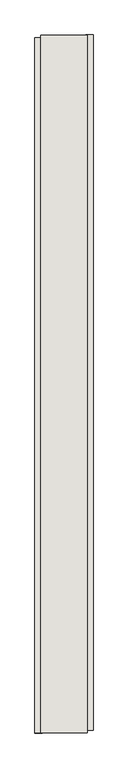
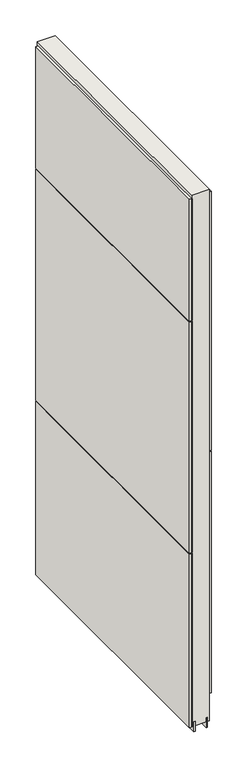
"""IFC4 building model written with IfcOpenShell, lengths in millimetres: wall geometry."""

from ifc_helpers import new_model, si_unit, frame, origin, place, context, project, spatial, polyline, outline, extrude, source, transform, mapped, element, save


def wall_f95e6eb7(model_context):
    return source(origin(), model_context, "Body", "SweptSolid", [
        extrude(outline(polyline([(84659.7205202, -48433.5447634), (84659.7205202, -48431.0047634), (84662.2605202, -48431.0047634), (84662.2605202, -48433.5447634), (84659.7205202, -48433.5447634)])), frame((0.0, 0.0, 4419.6), z_axis=(0.0, 0.0, 1.0), x_axis=(1.0, 0.0, 0.0)), (0.0, 0.0, 1.0), 2.54),
        extrude(outline(polyline([(84711.7905202, -48430.5385464), (84711.7905202, -49645.7385544), (84699.0905202, -49645.7385544), (84699.0905202, -48430.5385464), (84711.7905202, -48430.5385464)])), frame((0.0, 0.0, 4573.9999706), z_axis=(0.0, 0.0, 1.0), x_axis=(1.0, 0.0, 0.0)), (0.0, 0.0, 1.0), 1164.400008),
        extrude(outline(polyline([(84711.7905202, -48430.5385464), (84711.7905202, -49645.7385544), (84699.0905202, -49645.7385544), (84699.0905202, -48430.5385464), (84711.7905202, -48430.5385464)])), frame((0.0, 0.0, 5742.4000722), z_axis=(0.0, 0.0, 1.0), x_axis=(1.0, 0.0, 0.0)), (0.0, 0.0, 1.0), 1247.649905),
        extrude(outline(polyline([(84610.1905202, -49650.6684912), (84610.1905202, -48435.4684832), (84622.8905202, -48435.4684832), (84622.8905202, -49650.6684912), (84610.1905202, -49650.6684912)])), frame((0.0, 0.0, 6402.8000722), z_axis=(0.0, 0.0, 1.0), x_axis=(1.0, 0.0, 0.0)), (0.0, 0.0, 1.0), 587.2498034),
        extrude(outline(polyline([(84610.1905202, -49650.6684912), (84610.1905202, -48435.4684832), (84622.8905202, -48435.4684832), (84622.8905202, -49650.6684912), (84610.1905202, -49650.6684912)])), frame((0.0, 0.0, 5285.2000722), z_axis=(0.0, 0.0, 1.0), x_axis=(1.0, 0.0, 0.0)), (0.0, 0.0, 1.0), 1113.5999572),
        extrude(outline(polyline([(84610.1905202, -49650.6684912), (84610.1905202, -48435.4684832), (84622.8905202, -48435.4684832), (84622.8905202, -49650.6684912), (84610.1905202, -49650.6684912)])), frame((0.0, 0.0, 4445.0), z_axis=(0.0, 0.0, 1.0), x_axis=(1.0, 0.0, 0.0)), (0.0, 0.0, 1.0), 836.200004),
        extrude(outline(polyline([(84686.0618696, -49650.1942224), (84686.0618696, -48430.9942224), (84691.1468226, -48430.9942224), (84691.1468226, -49650.1942224), (84686.0618696, -49650.1942224)])), frame((0.0, 0.0, 4418.6602), z_axis=(0.0, 0.0, 1.0), x_axis=(1.0, 0.0, 0.0)), (0.0, 0.0, 1.0), 47.625),
        extrude(outline(polyline([(84686.0618696, -49650.1942224), (84686.0618696, -48430.9942224), (84691.1468226, -48430.9942224), (84691.1468226, -49650.1942224), (84686.0618696, -49650.1942224)])), frame((0.0, 0.0, 4418.6602), z_axis=(0.0, 0.0, 1.0), x_axis=(1.0, 0.0, 0.0)), (0.0, 0.0, 1.0), 47.625),
        extrude(outline(polyline([(84635.9253938, -48430.9942224), (84635.9253938, -49650.1942224), (84630.8218226, -49650.1942224), (84630.8218226, -48430.9942224), (84635.9253938, -48430.9942224)])), frame((0.0, 0.0, 4418.6602), z_axis=(0.0, 0.0, 1.0), x_axis=(1.0, 0.0, 0.0)), (0.0, 0.0, 1.0), 47.625),
        extrude(outline(polyline([(84635.9253938, -48430.9942224), (84635.9253938, -49650.1942224), (84630.8218226, -49650.1942224), (84630.8218226, -48430.9942224), (84635.9253938, -48430.9942224)])), frame((0.0, 0.0, 4418.6602), z_axis=(0.0, 0.0, 1.0), x_axis=(1.0, 0.0, 0.0)), (0.0, 0.0, 1.0), 47.625),
        extrude(outline(polyline([(84701.6330094, -49650.1942224), (84620.354254, -49650.1942224), (84620.354254, -48430.9942224), (84701.6330094, -48430.9942224), (84701.6330094, -49650.1942224)])), frame((0.0, 0.0, 4445.0), z_axis=(0.0, 0.0, 1.0), x_axis=(1.0, 0.0, 0.0)), (0.0, 0.0, 1.0), 2562.4536762),
    ])


if __name__ == "__main__":
    model = new_model("IFC4")
    model_context = context("Model", 3, world=origin())
    ifc_project = project(units=[si_unit("LENGTHUNIT", "METRE", prefix="MILLI")], contexts=[model_context])
    site = spatial("IfcSite", under=ifc_project)
    building = spatial("IfcBuilding", under=site)
    placement = place(None, origin())
    wall_shape = wall_f95e6eb7(model_context)
    element("IfcWall", 1, at=placement, inside=building, context=model_context, shape_type="MappedRepresentation", body=[
        mapped(wall_shape, transform((0.0, 0.0, 0.0), x_axis=(1.0, 0.0, 0.0), y_axis=(0.0, 1.0, 0.0), z_axis=(0.0, 0.0, 1.0))),
    ])
    save(model, "model.ifc")
